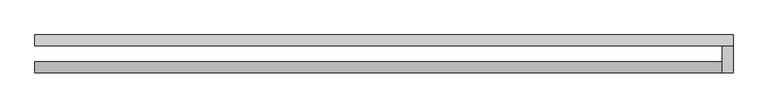
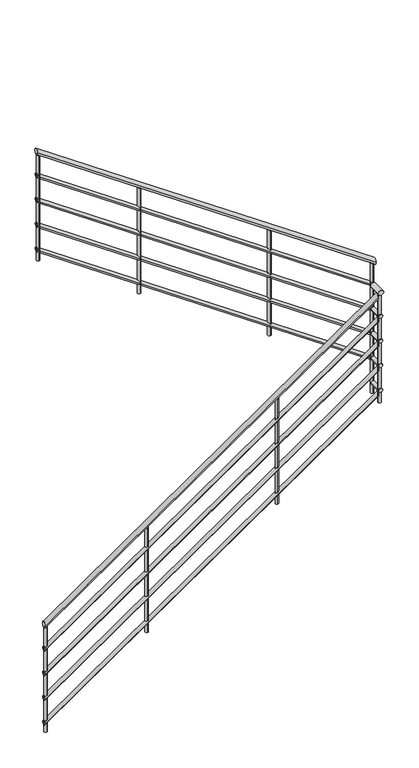
"""IFC4 building model written with IfcOpenShell, lengths in millimetres: railing geometry."""

from ifc_helpers import new_model, si_unit, point, frame, frame_2d, origin, place, context, project, spatial, circle_curve, ellipse_curve, trimmed, segment, composite_curve, outline, extrude, source, transform, mapped, element, save
from ifc_brep_helpers import plane_surface, cylinder_surface, advanced_brep


def railing_d2a92688(model_context):
    return source(origin(), model_context, "Body", "SolidModel", [
        advanced_brep(
        [(-1895.9784025, 14854.6868987, 1695.6747872), (-1895.9784025, 14894.6868987, 1695.6747872), (659.0215975, 14854.6868987, 3464.5209411), (659.0215975, 14894.6868987, 3464.5209411)],
        [
            (0, 1, ellipse_curve(frame((-1895.9784025, 14874.6868987, 1695.6747872), z_axis=(-1.0, 0.0, 0.0), x_axis=(0.0, 0.0, -1.0)), 24.3252128, 20.0)),
            (1, 0, ellipse_curve(frame((-1895.9784025, 14874.6868987, 1695.6747872), z_axis=(-1.0, 0.0, 0.0), x_axis=(0.0, 0.0, -1.0)), 24.3252128, 20.0)),
            (2, 3, ellipse_curve(frame((659.0215975, 14874.6868987, 3464.5209411), z_axis=(1.0, 0.0, 0.0), x_axis=(0.0, 0.0, -1.0)), 24.3252128, 20.0)),
            (3, 2, ellipse_curve(frame((659.0215975, 14874.6868987, 3464.5209411), z_axis=(1.0, 0.0, 0.0), x_axis=(0.0, 0.0, -1.0)), 24.3252128, 20.0)),
            (0, 2),
            (3, 1),
        ],
        [
            plane_surface(frame((-1895.9784025, 14874.6868987, 1720.0), z_axis=(-1.0, 0.0, 0.0), x_axis=(0.0, 1.0, 0.0))),
            plane_surface(frame((659.0215975, 14874.6868987, 3488.8461538), z_axis=(1.0, 0.0, 0.0), x_axis=(0.0, 1.0, 0.0))),
            cylinder_surface(frame((-1884.5942029, 14874.6868987, 1703.5561562), z_axis=(-0.8221921916437787, 0.0, -0.5692099788303082), x_axis=(0.0, 1.0, 0.0)), 20.0),
        ],
        [
            (0, [[1, 2]]),
            (1, [[3, 4]]),
            (2, [[-1, 5, -4, 6]]),
            (2, [[-2, -6, -3, -5]]),
        ],
    ),
        advanced_brep(
        [(699.0215975, 14854.6868987, 3500.0), (659.0215975, 14854.6868987, 3500.0), (699.0215975, 14954.6868987, 3500.0), (659.0215975, 14954.6868987, 3500.0)],
        [
            (0, 1, circle_curve(frame((679.0215975, 14854.6868987, 3500.0), z_axis=(0.0, -1.0, 0.0), x_axis=(-1.0, 0.0, 0.0)), 20.0)),
            (1, 0, circle_curve(frame((679.0215975, 14854.6868987, 3500.0), z_axis=(0.0, -1.0, 0.0), x_axis=(-1.0, 0.0, 0.0)), 20.0)),
            (2, 3, circle_curve(frame((679.0215975, 14954.6868987, 3500.0), z_axis=(0.0, 1.0, 0.0), x_axis=(-1.0, 0.0, 0.0)), 20.0)),
            (3, 2, circle_curve(frame((679.0215975, 14954.6868987, 3500.0), z_axis=(0.0, 1.0, 0.0), x_axis=(-1.0, 0.0, 0.0)), 20.0)),
            (0, 2),
            (3, 1),
        ],
        [
            plane_surface(frame((679.0215975, 14854.6868987, 3520.0), z_axis=(0.0, -1.0, 0.0), x_axis=(0.0, 0.0, 1.0))),
            plane_surface(frame((679.0215975, 14954.6868987, 3520.0), z_axis=(0.0, 1.0, 0.0), x_axis=(0.0, 0.0, 1.0))),
            cylinder_surface(frame((679.0215975, 14854.6868987, 3500.0), z_axis=(0.0, -1.0, 0.0), x_axis=(-1.0, 0.0, 0.0)), 20.0),
        ],
        [
            (0, [[1, 2]]),
            (1, [[3, 4]]),
            (2, [[-1, 5, -4, 6]]),
            (2, [[-2, -6, -3, -5]]),
        ],
    ),
        advanced_brep(
        [(699.0215975, 14994.6868987, 3679.1363257), (699.0215975, 14954.6868987, 3679.1363257), (-1895.9784025, 14994.6868987, 5475.6747872), (-1895.9784025, 14954.6868987, 5475.6747872)],
        [
            (0, 1, ellipse_curve(frame((699.0215975, 14974.6868987, 3679.1363257), z_axis=(1.0, 0.0, 0.0), x_axis=(0.0, 0.0, -1.0)), 24.3252128, 20.0)),
            (1, 0, ellipse_curve(frame((699.0215975, 14974.6868987, 3679.1363257), z_axis=(1.0, 0.0, 0.0), x_axis=(0.0, 0.0, -1.0)), 24.3252128, 20.0)),
            (2, 3, ellipse_curve(frame((-1895.9784025, 14974.6868987, 5475.6747872), z_axis=(-1.0, 0.0, 0.0), x_axis=(0.0, 0.0, -1.0)), 24.3252128, 20.0)),
            (3, 2, ellipse_curve(frame((-1895.9784025, 14974.6868987, 5475.6747872), z_axis=(-1.0, 0.0, 0.0), x_axis=(0.0, 0.0, -1.0)), 24.3252128, 20.0)),
            (0, 2),
            (3, 1),
        ],
        [
            plane_surface(frame((699.0215975, 14974.6868987, 3703.4615385), z_axis=(1.0, 0.0, 0.0), x_axis=(0.0, -1.0, 0.0))),
            plane_surface(frame((-1895.9784025, 14974.6868987, 5500.0), z_axis=(-1.0, 0.0, 0.0), x_axis=(0.0, -1.0, 0.0))),
            cylinder_surface(frame((687.6373979, 14974.6868987, 3687.0176946), z_axis=(0.8221921916437787, 0.0, -0.5692099788303083), x_axis=(0.0, -1.0, 0.0)), 20.0),
        ],
        [
            (0, [[1, 2]]),
            (1, [[3, 4]]),
            (2, [[-1, 5, -4, 6]]),
            (2, [[-2, -6, -3, -5]]),
        ],
    ),
        advanced_brep(
        [(-1895.9784025, 14859.6868987, 1501.7560904), (-1895.9784025, 14889.6868987, 1501.7560904), (664.0215975, 14859.6868987, 3274.0637827), (664.0215975, 14889.6868987, 3274.0637827)],
        [
            (0, 1, ellipse_curve(frame((-1895.9784025, 14874.6868987, 1501.7560904), z_axis=(-1.0, 0.0, 0.0), x_axis=(0.0, 0.0, -1.0)), 18.2439096, 15.0)),
            (1, 0, ellipse_curve(frame((-1895.9784025, 14874.6868987, 1501.7560904), z_axis=(-1.0, 0.0, 0.0), x_axis=(0.0, 0.0, -1.0)), 18.2439096, 15.0)),
            (2, 3, ellipse_curve(frame((664.0215975, 14874.6868987, 3274.0637827), z_axis=(1.0, 0.0, 0.0), x_axis=(0.0, 0.0, -1.0)), 18.2439096, 15.0)),
            (3, 2, ellipse_curve(frame((664.0215975, 14874.6868987, 3274.0637827), z_axis=(1.0, 0.0, 0.0), x_axis=(0.0, 0.0, -1.0)), 18.2439096, 15.0)),
            (0, 2),
            (3, 1),
        ],
        [
            plane_surface(frame((-1895.9784025, 14874.6868987, 1520.0), z_axis=(-1.0, 0.0, 0.0), x_axis=(0.0, 1.0, 0.0))),
            plane_surface(frame((664.0215975, 14874.6868987, 3292.3076923), z_axis=(1.0, 0.0, 0.0), x_axis=(0.0, 1.0, 0.0))),
            cylinder_surface(frame((-1887.4402528, 14874.6868987, 1507.6671171), z_axis=(-0.8221921916437787, 0.0, -0.5692099788303082), x_axis=(0.0, 1.0, 0.0)), 15.0),
        ],
        [
            (0, [[1, 2]]),
            (1, [[3, 4]]),
            (2, [[-1, 5, -4, 6]]),
            (2, [[-2, -6, -3, -5]]),
        ],
    ),
        advanced_brep(
        [(694.0215975, 14859.6868987, 3305.0), (664.0215975, 14859.6868987, 3305.0), (694.0215975, 14959.6868987, 3305.0), (664.0215975, 14959.6868987, 3305.0)],
        [
            (0, 1, circle_curve(frame((679.0215975, 14859.6868987, 3305.0), z_axis=(0.0, -1.0, 0.0), x_axis=(-1.0, 0.0, 0.0)), 15.0)),
            (1, 0, circle_curve(frame((679.0215975, 14859.6868987, 3305.0), z_axis=(0.0, -1.0, 0.0), x_axis=(-1.0, 0.0, 0.0)), 15.0)),
            (2, 3, circle_curve(frame((679.0215975, 14959.6868987, 3305.0), z_axis=(0.0, 1.0, 0.0), x_axis=(-1.0, 0.0, 0.0)), 15.0)),
            (3, 2, circle_curve(frame((679.0215975, 14959.6868987, 3305.0), z_axis=(0.0, 1.0, 0.0), x_axis=(-1.0, 0.0, 0.0)), 15.0)),
            (0, 2),
            (3, 1),
        ],
        [
            plane_surface(frame((679.0215975, 14859.6868987, 3320.0), z_axis=(0.0, -1.0, 0.0), x_axis=(0.0, 0.0, 1.0))),
            plane_surface(frame((679.0215975, 14959.6868987, 3320.0), z_axis=(0.0, 1.0, 0.0), x_axis=(0.0, 0.0, 1.0))),
            cylinder_surface(frame((679.0215975, 14859.6868987, 3305.0), z_axis=(0.0, -1.0, 0.0), x_axis=(-1.0, 0.0, 0.0)), 15.0),
        ],
        [
            (0, [[1, 2]]),
            (1, [[3, 4]]),
            (2, [[-1, 5, -4, 6]]),
            (2, [[-2, -6, -3, -5]]),
        ],
    ),
        advanced_brep(
        [(694.0215975, 14989.6868987, 3488.6791673), (694.0215975, 14959.6868987, 3488.6791673), (-1895.9784025, 14989.6868987, 5281.7560904), (-1895.9784025, 14959.6868987, 5281.7560904)],
        [
            (0, 1, ellipse_curve(frame((694.0215975, 14974.6868987, 3488.6791673), z_axis=(1.0, 0.0, 0.0), x_axis=(0.0, 0.0, -1.0)), 18.2439096, 15.0)),
            (1, 0, ellipse_curve(frame((694.0215975, 14974.6868987, 3488.6791673), z_axis=(1.0, 0.0, 0.0), x_axis=(0.0, 0.0, -1.0)), 18.2439096, 15.0)),
            (2, 3, ellipse_curve(frame((-1895.9784025, 14974.6868987, 5281.7560904), z_axis=(-1.0, 0.0, 0.0), x_axis=(0.0, 0.0, -1.0)), 18.2439096, 15.0)),
            (3, 2, ellipse_curve(frame((-1895.9784025, 14974.6868987, 5281.7560904), z_axis=(-1.0, 0.0, 0.0), x_axis=(0.0, 0.0, -1.0)), 18.2439096, 15.0)),
            (0, 2),
            (3, 1),
        ],
        [
            plane_surface(frame((694.0215975, 14974.6868987, 3506.9230769), z_axis=(1.0, 0.0, 0.0), x_axis=(0.0, -1.0, 0.0))),
            plane_surface(frame((-1895.9784025, 14974.6868987, 5300.0), z_axis=(-1.0, 0.0, 0.0), x_axis=(0.0, -1.0, 0.0))),
            cylinder_surface(frame((685.4834478, 14974.6868987, 3494.590194), z_axis=(0.8221921916437787, 0.0, -0.5692099788303083), x_axis=(0.0, -1.0, 0.0)), 15.0),
        ],
        [
            (0, [[1, 2]]),
            (1, [[3, 4]]),
            (2, [[-1, 5, -4, 6]]),
            (2, [[-2, -6, -3, -5]]),
        ],
    ),
        advanced_brep(
        [(-1895.9784025, 14859.6868987, 1301.7560904), (-1895.9784025, 14889.6868987, 1301.7560904), (664.0215975, 14859.6868987, 3074.0637827), (664.0215975, 14889.6868987, 3074.0637827)],
        [
            (0, 1, ellipse_curve(frame((-1895.9784025, 14874.6868987, 1301.7560904), z_axis=(-1.0, 0.0, 0.0), x_axis=(0.0, 0.0, -1.0)), 18.2439096, 15.0)),
            (1, 0, ellipse_curve(frame((-1895.9784025, 14874.6868987, 1301.7560904), z_axis=(-1.0, 0.0, 0.0), x_axis=(0.0, 0.0, -1.0)), 18.2439096, 15.0)),
            (2, 3, ellipse_curve(frame((664.0215975, 14874.6868987, 3074.0637827), z_axis=(1.0, 0.0, 0.0), x_axis=(0.0, 0.0, -1.0)), 18.2439096, 15.0)),
            (3, 2, ellipse_curve(frame((664.0215975, 14874.6868987, 3074.0637827), z_axis=(1.0, 0.0, 0.0), x_axis=(0.0, 0.0, -1.0)), 18.2439096, 15.0)),
            (0, 2),
            (3, 1),
        ],
        [
            plane_surface(frame((-1895.9784025, 14874.6868987, 1320.0), z_axis=(-1.0, 0.0, 0.0), x_axis=(0.0, 1.0, 0.0))),
            plane_surface(frame((664.0215975, 14874.6868987, 3092.3076923), z_axis=(1.0, 0.0, 0.0), x_axis=(0.0, 1.0, 0.0))),
            cylinder_surface(frame((-1887.4402528, 14874.6868987, 1307.6671171), z_axis=(-0.8221921916437787, 0.0, -0.5692099788303082), x_axis=(0.0, 1.0, 0.0)), 15.0),
        ],
        [
            (0, [[1, 2]]),
            (1, [[3, 4]]),
            (2, [[-1, 5, -4, 6]]),
            (2, [[-2, -6, -3, -5]]),
        ],
    ),
        advanced_brep(
        [(694.0215975, 14859.6868987, 3105.0), (664.0215975, 14859.6868987, 3105.0), (694.0215975, 14959.6868987, 3105.0), (664.0215975, 14959.6868987, 3105.0)],
        [
            (0, 1, circle_curve(frame((679.0215975, 14859.6868987, 3105.0), z_axis=(0.0, -1.0, 0.0), x_axis=(-1.0, 0.0, 0.0)), 15.0)),
            (1, 0, circle_curve(frame((679.0215975, 14859.6868987, 3105.0), z_axis=(0.0, -1.0, 0.0), x_axis=(-1.0, 0.0, 0.0)), 15.0)),
            (2, 3, circle_curve(frame((679.0215975, 14959.6868987, 3105.0), z_axis=(0.0, 1.0, 0.0), x_axis=(-1.0, 0.0, 0.0)), 15.0)),
            (3, 2, circle_curve(frame((679.0215975, 14959.6868987, 3105.0), z_axis=(0.0, 1.0, 0.0), x_axis=(-1.0, 0.0, 0.0)), 15.0)),
            (0, 2),
            (3, 1),
        ],
        [
            plane_surface(frame((679.0215975, 14859.6868987, 3120.0), z_axis=(0.0, -1.0, 0.0), x_axis=(0.0, 0.0, 1.0))),
            plane_surface(frame((679.0215975, 14959.6868987, 3120.0), z_axis=(0.0, 1.0, 0.0), x_axis=(0.0, 0.0, 1.0))),
            cylinder_surface(frame((679.0215975, 14859.6868987, 3105.0), z_axis=(0.0, -1.0, 0.0), x_axis=(-1.0, 0.0, 0.0)), 15.0),
        ],
        [
            (0, [[1, 2]]),
            (1, [[3, 4]]),
            (2, [[-1, 5, -4, 6]]),
            (2, [[-2, -6, -3, -5]]),
        ],
    ),
        advanced_brep(
        [(694.0215975, 14989.6868987, 3288.6791673), (694.0215975, 14959.6868987, 3288.6791673), (-1895.9784025, 14989.6868987, 5081.7560904), (-1895.9784025, 14959.6868987, 5081.7560904)],
        [
            (0, 1, ellipse_curve(frame((694.0215975, 14974.6868987, 3288.6791673), z_axis=(1.0, 0.0, 0.0), x_axis=(0.0, 0.0, -1.0)), 18.2439096, 15.0)),
            (1, 0, ellipse_curve(frame((694.0215975, 14974.6868987, 3288.6791673), z_axis=(1.0, 0.0, 0.0), x_axis=(0.0, 0.0, -1.0)), 18.2439096, 15.0)),
            (2, 3, ellipse_curve(frame((-1895.9784025, 14974.6868987, 5081.7560904), z_axis=(-1.0, 0.0, 0.0), x_axis=(0.0, 0.0, -1.0)), 18.2439096, 15.0)),
            (3, 2, ellipse_curve(frame((-1895.9784025, 14974.6868987, 5081.7560904), z_axis=(-1.0, 0.0, 0.0), x_axis=(0.0, 0.0, -1.0)), 18.2439096, 15.0)),
            (0, 2),
            (3, 1),
        ],
        [
            plane_surface(frame((694.0215975, 14974.6868987, 3306.9230769), z_axis=(1.0, 0.0, 0.0), x_axis=(0.0, -1.0, 0.0))),
            plane_surface(frame((-1895.9784025, 14974.6868987, 5100.0), z_axis=(-1.0, 0.0, 0.0), x_axis=(0.0, -1.0, 0.0))),
            cylinder_surface(frame((685.4834478, 14974.6868987, 3294.590194), z_axis=(0.8221921916437787, 0.0, -0.5692099788303083), x_axis=(0.0, -1.0, 0.0)), 15.0),
        ],
        [
            (0, [[1, 2]]),
            (1, [[3, 4]]),
            (2, [[-1, 5, -4, 6]]),
            (2, [[-2, -6, -3, -5]]),
        ],
    ),
        advanced_brep(
        [(-1895.9784025, 14859.6868987, 1101.7560904), (-1895.9784025, 14889.6868987, 1101.7560904), (664.0215975, 14859.6868987, 2874.0637827), (664.0215975, 14889.6868987, 2874.0637827)],
        [
            (0, 1, ellipse_curve(frame((-1895.9784025, 14874.6868987, 1101.7560904), z_axis=(-1.0, 0.0, 0.0), x_axis=(0.0, 0.0, -1.0)), 18.2439096, 15.0)),
            (1, 0, ellipse_curve(frame((-1895.9784025, 14874.6868987, 1101.7560904), z_axis=(-1.0, 0.0, 0.0), x_axis=(0.0, 0.0, -1.0)), 18.2439096, 15.0)),
            (2, 3, ellipse_curve(frame((664.0215975, 14874.6868987, 2874.0637827), z_axis=(1.0, 0.0, 0.0), x_axis=(0.0, 0.0, -1.0)), 18.2439096, 15.0)),
            (3, 2, ellipse_curve(frame((664.0215975, 14874.6868987, 2874.0637827), z_axis=(1.0, 0.0, 0.0), x_axis=(0.0, 0.0, -1.0)), 18.2439096, 15.0)),
            (0, 2),
            (3, 1),
        ],
        [
            plane_surface(frame((-1895.9784025, 14874.6868987, 1120.0), z_axis=(-1.0, 0.0, 0.0), x_axis=(0.0, 1.0, 0.0))),
            plane_surface(frame((664.0215975, 14874.6868987, 2892.3076923), z_axis=(1.0, 0.0, 0.0), x_axis=(0.0, 1.0, 0.0))),
            cylinder_surface(frame((-1887.4402528, 14874.6868987, 1107.6671171), z_axis=(-0.8221921916437787, 0.0, -0.5692099788303082), x_axis=(0.0, 1.0, 0.0)), 15.0),
        ],
        [
            (0, [[1, 2]]),
            (1, [[3, 4]]),
            (2, [[-1, 5, -4, 6]]),
            (2, [[-2, -6, -3, -5]]),
        ],
    ),
        advanced_brep(
        [(694.0215975, 14859.6868987, 2905.0), (664.0215975, 14859.6868987, 2905.0), (694.0215975, 14959.6868987, 2905.0), (664.0215975, 14959.6868987, 2905.0)],
        [
            (0, 1, circle_curve(frame((679.0215975, 14859.6868987, 2905.0), z_axis=(0.0, -1.0, 0.0), x_axis=(-1.0, 0.0, 0.0)), 15.0)),
            (1, 0, circle_curve(frame((679.0215975, 14859.6868987, 2905.0), z_axis=(0.0, -1.0, 0.0), x_axis=(-1.0, 0.0, 0.0)), 15.0)),
            (2, 3, circle_curve(frame((679.0215975, 14959.6868987, 2905.0), z_axis=(0.0, 1.0, 0.0), x_axis=(-1.0, 0.0, 0.0)), 15.0)),
            (3, 2, circle_curve(frame((679.0215975, 14959.6868987, 2905.0), z_axis=(0.0, 1.0, 0.0), x_axis=(-1.0, 0.0, 0.0)), 15.0)),
            (0, 2),
            (3, 1),
        ],
        [
            plane_surface(frame((679.0215975, 14859.6868987, 2920.0), z_axis=(0.0, -1.0, 0.0), x_axis=(0.0, 0.0, 1.0))),
            plane_surface(frame((679.0215975, 14959.6868987, 2920.0), z_axis=(0.0, 1.0, 0.0), x_axis=(0.0, 0.0, 1.0))),
            cylinder_surface(frame((679.0215975, 14859.6868987, 2905.0), z_axis=(0.0, -1.0, 0.0), x_axis=(-1.0, 0.0, 0.0)), 15.0),
        ],
        [
            (0, [[1, 2]]),
            (1, [[3, 4]]),
            (2, [[-1, 5, -4, 6]]),
            (2, [[-2, -6, -3, -5]]),
        ],
    ),
        advanced_brep(
        [(694.0215975, 14989.6868987, 3088.6791673), (694.0215975, 14959.6868987, 3088.6791673), (-1895.9784025, 14989.6868987, 4881.7560904), (-1895.9784025, 14959.6868987, 4881.7560904)],
        [
            (0, 1, ellipse_curve(frame((694.0215975, 14974.6868987, 3088.6791673), z_axis=(1.0, 0.0, 0.0), x_axis=(0.0, 0.0, -1.0)), 18.2439096, 15.0)),
            (1, 0, ellipse_curve(frame((694.0215975, 14974.6868987, 3088.6791673), z_axis=(1.0, 0.0, 0.0), x_axis=(0.0, 0.0, -1.0)), 18.2439096, 15.0)),
            (2, 3, ellipse_curve(frame((-1895.9784025, 14974.6868987, 4881.7560904), z_axis=(-1.0, 0.0, 0.0), x_axis=(0.0, 0.0, -1.0)), 18.2439096, 15.0)),
            (3, 2, ellipse_curve(frame((-1895.9784025, 14974.6868987, 4881.7560904), z_axis=(-1.0, 0.0, 0.0), x_axis=(0.0, 0.0, -1.0)), 18.2439096, 15.0)),
            (0, 2),
            (3, 1),
        ],
        [
            plane_surface(frame((694.0215975, 14974.6868987, 3106.9230769), z_axis=(1.0, 0.0, 0.0), x_axis=(0.0, -1.0, 0.0))),
            plane_surface(frame((-1895.9784025, 14974.6868987, 4900.0), z_axis=(-1.0, 0.0, 0.0), x_axis=(0.0, -1.0, 0.0))),
            cylinder_surface(frame((685.4834478, 14974.6868987, 3094.590194), z_axis=(0.8221921916437787, 0.0, -0.5692099788303083), x_axis=(0.0, -1.0, 0.0)), 15.0),
        ],
        [
            (0, [[1, 2]]),
            (1, [[3, 4]]),
            (2, [[-1, 5, -4, 6]]),
            (2, [[-2, -6, -3, -5]]),
        ],
    ),
        advanced_brep(
        [(-1895.9784025, 14859.6868987, 901.7560904), (-1895.9784025, 14889.6868987, 901.7560904), (664.0215975, 14859.6868987, 2674.0637827), (664.0215975, 14889.6868987, 2674.0637827)],
        [
            (0, 1, ellipse_curve(frame((-1895.9784025, 14874.6868987, 901.7560904), z_axis=(-1.0, 0.0, 0.0), x_axis=(0.0, 0.0, -1.0)), 18.2439096, 15.0)),
            (1, 0, ellipse_curve(frame((-1895.9784025, 14874.6868987, 901.7560904), z_axis=(-1.0, 0.0, 0.0), x_axis=(0.0, 0.0, -1.0)), 18.2439096, 15.0)),
            (2, 3, ellipse_curve(frame((664.0215975, 14874.6868987, 2674.0637827), z_axis=(1.0, 0.0, 0.0), x_axis=(0.0, 0.0, -1.0)), 18.2439096, 15.0)),
            (3, 2, ellipse_curve(frame((664.0215975, 14874.6868987, 2674.0637827), z_axis=(1.0, 0.0, 0.0), x_axis=(0.0, 0.0, -1.0)), 18.2439096, 15.0)),
            (0, 2),
            (3, 1),
        ],
        [
            plane_surface(frame((-1895.9784025, 14874.6868987, 920.0), z_axis=(-1.0, 0.0, 0.0), x_axis=(0.0, 1.0, 0.0))),
            plane_surface(frame((664.0215975, 14874.6868987, 2692.3076923), z_axis=(1.0, 0.0, 0.0), x_axis=(0.0, 1.0, 0.0))),
            cylinder_surface(frame((-1887.4402528, 14874.6868987, 907.6671171), z_axis=(-0.8221921916437787, 0.0, -0.5692099788303082), x_axis=(0.0, 1.0, 0.0)), 15.0),
        ],
        [
            (0, [[1, 2]]),
            (1, [[3, 4]]),
            (2, [[-1, 5, -4, 6]]),
            (2, [[-2, -6, -3, -5]]),
        ],
    ),
        advanced_brep(
        [(694.0215975, 14859.6868987, 2705.0), (664.0215975, 14859.6868987, 2705.0), (694.0215975, 14959.6868987, 2705.0), (664.0215975, 14959.6868987, 2705.0)],
        [
            (0, 1, circle_curve(frame((679.0215975, 14859.6868987, 2705.0), z_axis=(0.0, -1.0, 0.0), x_axis=(-1.0, 0.0, 0.0)), 15.0)),
            (1, 0, circle_curve(frame((679.0215975, 14859.6868987, 2705.0), z_axis=(0.0, -1.0, 0.0), x_axis=(-1.0, 0.0, 0.0)), 15.0)),
            (2, 3, circle_curve(frame((679.0215975, 14959.6868987, 2705.0), z_axis=(0.0, 1.0, 0.0), x_axis=(-1.0, 0.0, 0.0)), 15.0)),
            (3, 2, circle_curve(frame((679.0215975, 14959.6868987, 2705.0), z_axis=(0.0, 1.0, 0.0), x_axis=(-1.0, 0.0, 0.0)), 15.0)),
            (0, 2),
            (3, 1),
        ],
        [
            plane_surface(frame((679.0215975, 14859.6868987, 2720.0), z_axis=(0.0, -1.0, 0.0), x_axis=(0.0, 0.0, 1.0))),
            plane_surface(frame((679.0215975, 14959.6868987, 2720.0), z_axis=(0.0, 1.0, 0.0), x_axis=(0.0, 0.0, 1.0))),
            cylinder_surface(frame((679.0215975, 14859.6868987, 2705.0), z_axis=(0.0, -1.0, 0.0), x_axis=(-1.0, 0.0, 0.0)), 15.0),
        ],
        [
            (0, [[1, 2]]),
            (1, [[3, 4]]),
            (2, [[-1, 5, -4, 6]]),
            (2, [[-2, -6, -3, -5]]),
        ],
    ),
        advanced_brep(
        [(694.0215975, 14989.6868987, 2888.6791673), (694.0215975, 14959.6868987, 2888.6791673), (-1895.9784025, 14989.6868987, 4681.7560904), (-1895.9784025, 14959.6868987, 4681.7560904)],
        [
            (0, 1, ellipse_curve(frame((694.0215975, 14974.6868987, 2888.6791673), z_axis=(1.0, 0.0, 0.0), x_axis=(0.0, 0.0, -1.0)), 18.2439096, 15.0)),
            (1, 0, ellipse_curve(frame((694.0215975, 14974.6868987, 2888.6791673), z_axis=(1.0, 0.0, 0.0), x_axis=(0.0, 0.0, -1.0)), 18.2439096, 15.0)),
            (2, 3, ellipse_curve(frame((-1895.9784025, 14974.6868987, 4681.7560904), z_axis=(-1.0, 0.0, 0.0), x_axis=(0.0, 0.0, -1.0)), 18.2439096, 15.0)),
            (3, 2, ellipse_curve(frame((-1895.9784025, 14974.6868987, 4681.7560904), z_axis=(-1.0, 0.0, 0.0), x_axis=(0.0, 0.0, -1.0)), 18.2439096, 15.0)),
            (0, 2),
            (3, 1),
        ],
        [
            plane_surface(frame((694.0215975, 14974.6868987, 2906.9230769), z_axis=(1.0, 0.0, 0.0), x_axis=(0.0, -1.0, 0.0))),
            plane_surface(frame((-1895.9784025, 14974.6868987, 4700.0), z_axis=(-1.0, 0.0, 0.0), x_axis=(0.0, -1.0, 0.0))),
            cylinder_surface(frame((685.4834478, 14974.6868987, 2894.590194), z_axis=(0.8221921916437787, 0.0, -0.5692099788303083), x_axis=(0.0, -1.0, 0.0)), 15.0),
        ],
        [
            (0, [[1, 2]]),
            (1, [[3, 4]]),
            (2, [[-1, 5, -4, 6]]),
            (2, [[-2, -6, -3, -5]]),
        ],
    ),
        advanced_brep(
        [(-1108.4784025, 14962.1868987, 4906.1572668), (-1108.4784025, 14987.1868987, 4906.1572668), (-1108.4784025, 14987.1868987, 4054.8076923), (-1108.4784025, 14962.1868987, 4054.8076923)],
        [
            (0, 1, ellipse_curve(frame((-1108.4784025, 14974.6868987, 4906.1572668), z_axis=(-0.569209978830308, 0.0, -0.8221921916437789), x_axis=(-0.8221921916437789, 0.0, 0.5692099788303079)), 15.203258, 12.5)),
            (1, 2),
            (2, 3, circle_curve(frame((-1108.4784025, 14974.6868987, 4054.8076923), z_axis=(0.0, 0.0, 1.0), x_axis=(0.0, 1.0, 0.0)), 12.5)),
            (3, 0),
            (3, 2, circle_curve(frame((-1108.4784025, 14974.6868987, 4054.8076923), z_axis=(0.0, 0.0, 1.0), x_axis=(0.0, 1.0, 0.0)), 12.5)),
            (1, 0, ellipse_curve(frame((-1108.4784025, 14974.6868987, 4906.1572668), z_axis=(-0.569209978830308, 0.0, -0.8221921916437789), x_axis=(-0.8221921916437789, 0.0, 0.5692099788303079)), 15.203258, 12.5)),
        ],
        [
            cylinder_surface(frame((-1108.4784025, 14974.6868987, 3954.8076923), z_axis=(0.0, 0.0, 1.0), x_axis=(0.0, 1.0, 0.0)), 12.5),
            plane_surface(frame((-1133.4784025, 14999.6868987, 4923.4649591), z_axis=(0.569209978830308, 0.0, 0.8221921916437789), x_axis=(0.0, -1.0, 0.0))),
            plane_surface(frame((-1083.4784025, 14999.6868987, 4054.8076923), z_axis=(0.0, 0.0, -1.0), x_axis=(0.0, -1.0, 0.0))),
        ],
        [
            (0, [[1, 2, 3, 4]]),
            (0, [[5, -2, 6, -4]]),
            (1, [[-6, -1]]),
            (2, [[-5, -3]]),
        ],
    ),
        advanced_brep(
        [(-108.4784025, 14962.1868987, 4213.8495745), (-108.4784025, 14987.1868987, 4213.8495745), (-108.4784025, 14987.1868987, 3362.5), (-108.4784025, 14962.1868987, 3362.5)],
        [
            (0, 1, ellipse_curve(frame((-108.4784025, 14974.6868987, 4213.8495745), z_axis=(-0.569209978830308, 0.0, -0.8221921916437789), x_axis=(-0.8221921916437789, 0.0, 0.5692099788303079)), 15.203258, 12.5)),
            (1, 2),
            (2, 3, circle_curve(frame((-108.4784025, 14974.6868987, 3362.5), z_axis=(0.0, 0.0, 1.0), x_axis=(0.0, 1.0, 0.0)), 12.5)),
            (3, 0),
            (3, 2, circle_curve(frame((-108.4784025, 14974.6868987, 3362.5), z_axis=(0.0, 0.0, 1.0), x_axis=(0.0, 1.0, 0.0)), 12.5)),
            (1, 0, ellipse_curve(frame((-108.4784025, 14974.6868987, 4213.8495745), z_axis=(-0.569209978830308, 0.0, -0.8221921916437789), x_axis=(-0.8221921916437789, 0.0, 0.5692099788303079)), 15.203258, 12.5)),
        ],
        [
            cylinder_surface(frame((-108.4784025, 14974.6868987, 3262.5), z_axis=(0.0, 0.0, 1.0), x_axis=(0.0, 1.0, 0.0)), 12.5),
            plane_surface(frame((-133.4784025, 14999.6868987, 4231.1572668), z_axis=(0.569209978830308, 0.0, 0.8221921916437789), x_axis=(0.0, -1.0, 0.0))),
            plane_surface(frame((-83.4784025, 14999.6868987, 3362.5), z_axis=(0.0, 0.0, -1.0), x_axis=(0.0, -1.0, 0.0))),
        ],
        [
            (0, [[1, 2, 3, 4]]),
            (0, [[5, -2, 6, -4]]),
            (1, [[-6, -1]]),
            (2, [[-5, -3]]),
        ],
    ),
        advanced_brep(
        [(-108.4784025, 14887.1868987, 2908.8495745), (-108.4784025, 14862.1868987, 2908.8495745), (-108.4784025, 14862.1868987, 2057.5), (-108.4784025, 14887.1868987, 2057.5)],
        [
            (0, 1, ellipse_curve(frame((-108.4784025, 14874.6868987, 2908.8495745), z_axis=(0.569209978830308, 0.0, -0.8221921916437789), x_axis=(0.8221921916437789, 0.0, 0.5692099788303079)), 15.203258, 12.5)),
            (1, 2),
            (2, 3, circle_curve(frame((-108.4784025, 14874.6868987, 2057.5), z_axis=(0.0, 0.0, 1.0), x_axis=(0.0, -1.0, 0.0)), 12.5)),
            (3, 0),
            (3, 2, circle_curve(frame((-108.4784025, 14874.6868987, 2057.5), z_axis=(0.0, 0.0, 1.0), x_axis=(0.0, -1.0, 0.0)), 12.5)),
            (1, 0, ellipse_curve(frame((-108.4784025, 14874.6868987, 2908.8495745), z_axis=(0.569209978830308, 0.0, -0.8221921916437789), x_axis=(0.8221921916437789, 0.0, 0.5692099788303079)), 15.203258, 12.5)),
        ],
        [
            cylinder_surface(frame((-108.4784025, 14874.6868987, 1957.5), z_axis=(0.0, 0.0, 1.0), x_axis=(0.0, -1.0, 0.0)), 12.5),
            plane_surface(frame((-83.4784025, 14849.6868987, 2926.1572668), z_axis=(-0.569209978830308, 0.0, 0.8221921916437789), x_axis=(0.0, 1.0, 0.0))),
            plane_surface(frame((-133.4784025, 14849.6868987, 2057.5), z_axis=(0.0, 0.0, -1.0), x_axis=(0.0, 1.0, 0.0))),
        ],
        [
            (0, [[1, 2, 3, 4]]),
            (0, [[5, -2, 6, -4]]),
            (1, [[-6, -1]]),
            (2, [[-5, -3]]),
        ],
    ),
        advanced_brep(
        [(-1108.4784025, 14887.1868987, 2216.5418822), (-1108.4784025, 14862.1868987, 2216.5418822), (-1108.4784025, 14862.1868987, 1365.1923077), (-1108.4784025, 14887.1868987, 1365.1923077)],
        [
            (0, 1, ellipse_curve(frame((-1108.4784025, 14874.6868987, 2216.5418822), z_axis=(0.569209978830308, 0.0, -0.8221921916437789), x_axis=(0.8221921916437789, 0.0, 0.5692099788303079)), 15.203258, 12.5)),
            (1, 2),
            (2, 3, circle_curve(frame((-1108.4784025, 14874.6868987, 1365.1923077), z_axis=(0.0, 0.0, 1.0), x_axis=(0.0, -1.0, 0.0)), 12.5)),
            (3, 0),
            (3, 2, circle_curve(frame((-1108.4784025, 14874.6868987, 1365.1923077), z_axis=(0.0, 0.0, 1.0), x_axis=(0.0, -1.0, 0.0)), 12.5)),
            (1, 0, ellipse_curve(frame((-1108.4784025, 14874.6868987, 2216.5418822), z_axis=(0.569209978830308, 0.0, -0.8221921916437789), x_axis=(0.8221921916437789, 0.0, 0.5692099788303079)), 15.203258, 12.5)),
        ],
        [
            cylinder_surface(frame((-1108.4784025, 14874.6868987, 1265.1923077), z_axis=(0.0, 0.0, 1.0), x_axis=(0.0, -1.0, 0.0)), 12.5),
            plane_surface(frame((-1083.4784025, 14849.6868987, 2233.8495745), z_axis=(-0.569209978830308, 0.0, 0.8221921916437789), x_axis=(0.0, 1.0, 0.0))),
            plane_surface(frame((-1133.4784025, 14849.6868987, 1365.1923077), z_axis=(0.0, 0.0, -1.0), x_axis=(0.0, 1.0, 0.0))),
        ],
        [
            (0, [[1, 2, 3, 4]]),
            (0, [[5, -2, 6, -4]]),
            (1, [[-6, -1]]),
            (2, [[-5, -3]]),
        ],
    ),
        advanced_brep(
        [(679.0215975, 14962.1868987, 3668.6572668), (679.0215975, 14987.1868987, 3668.6572668), (679.0215975, 14987.1868987, 2620.0), (679.0215975, 14962.1868987, 2620.0)],
        [
            (0, 1, ellipse_curve(frame((679.0215975, 14974.6868987, 3668.6572668), z_axis=(-0.569209978830308, 0.0, -0.8221921916437789), x_axis=(-0.8221921916437789, 0.0, 0.5692099788303079)), 15.203258, 12.5)),
            (1, 2),
            (2, 3, circle_curve(frame((679.0215975, 14974.6868987, 2620.0), z_axis=(0.0, 0.0, 1.0), x_axis=(0.0, 1.0, 0.0)), 12.5)),
            (3, 0),
            (3, 2, circle_curve(frame((679.0215975, 14974.6868987, 2620.0), z_axis=(0.0, 0.0, 1.0), x_axis=(0.0, 1.0, 0.0)), 12.5)),
            (1, 0, ellipse_curve(frame((679.0215975, 14974.6868987, 3668.6572668), z_axis=(-0.569209978830308, 0.0, -0.8221921916437789), x_axis=(-0.8221921916437789, 0.0, 0.5692099788303079)), 15.203258, 12.5)),
        ],
        [
            cylinder_surface(frame((679.0215975, 14974.6868987, 2520.0), z_axis=(0.0, 0.0, 1.0), x_axis=(0.0, 1.0, 0.0)), 12.5),
            plane_surface(frame((654.0215975, 14999.6868987, 3685.9649591), z_axis=(0.569209978830308, 0.0, 0.8221921916437789), x_axis=(0.0, -1.0, 0.0))),
            plane_surface(frame((704.0215975, 14999.6868987, 2620.0), z_axis=(0.0, 0.0, -1.0), x_axis=(0.0, -1.0, 0.0))),
        ],
        [
            (0, [[1, 2, 3, 4]]),
            (0, [[5, -2, 6, -4]]),
            (1, [[-6, -1]]),
            (2, [[-5, -3]]),
        ],
    ),
        extrude(outline(composite_curve([segment(trimmed(circle_curve(frame_2d((679.0215975, 14874.6868987)), 12.5), [point((691.5215975, 14874.6868987))], [point((666.5215975, 14874.6868987))], False, "CARTESIAN"), True, "CONTINUOUS"), segment(trimmed(circle_curve(frame_2d((679.0215975, 14874.6868987)), 12.5), [point((666.5215975, 14874.6868987))], [point((691.5215975, 14874.6868987))], False, "CARTESIAN"), True, "CONTINUOUS")], self_intersect=False)), frame((0.0, 0.0, 2602.6923077), z_axis=(0.0, 0.0, 1.0), x_axis=(1.0, 0.0, 0.0)), (0.0, 0.0, 1.0), 877.3076923),
        advanced_brep(
        [(-1883.7918036, 14962.1868987, 5442.9126983), (-1883.7918036, 14987.1868987, 5442.9126983), (-1883.7918036, 14987.1868987, 4591.5631238), (-1883.7918036, 14962.1868987, 4591.5631238)],
        [
            (0, 1, ellipse_curve(frame((-1883.7918036, 14974.6868987, 5442.9126983), z_axis=(-0.569209978830308, 0.0, -0.8221921916437789), x_axis=(-0.8221921916437789, 0.0, 0.5692099788303079)), 15.203258, 12.5)),
            (1, 2),
            (2, 3, circle_curve(frame((-1883.7918036, 14974.6868987, 4591.5631238), z_axis=(0.0, 0.0, 1.0), x_axis=(0.0, 1.0, 0.0)), 12.5)),
            (3, 0),
            (3, 2, circle_curve(frame((-1883.7918036, 14974.6868987, 4591.5631238), z_axis=(0.0, 0.0, 1.0), x_axis=(0.0, 1.0, 0.0)), 12.5)),
            (1, 0, ellipse_curve(frame((-1883.7918036, 14974.6868987, 5442.9126983), z_axis=(-0.569209978830308, 0.0, -0.8221921916437789), x_axis=(-0.8221921916437789, 0.0, 0.5692099788303079)), 15.203258, 12.5)),
        ],
        [
            cylinder_surface(frame((-1883.7918036, 14974.6868987, 4491.5631238), z_axis=(0.0, 0.0, 1.0), x_axis=(0.0, 1.0, 0.0)), 12.5),
            plane_surface(frame((-1908.7918036, 14999.6868987, 5460.2203906), z_axis=(0.569209978830308, 0.0, 0.8221921916437789), x_axis=(0.0, -1.0, 0.0))),
            plane_surface(frame((-1858.7918036, 14999.6868987, 4591.5631238), z_axis=(0.0, 0.0, -1.0), x_axis=(0.0, -1.0, 0.0))),
        ],
        [
            (0, [[1, 2, 3, 4]]),
            (0, [[5, -2, 6, -4]]),
            (1, [[-6, -1]]),
            (2, [[-5, -3]]),
        ],
    ),
        advanced_brep(
        [(-1883.7918036, 14887.1868987, 1679.7864506), (-1883.7918036, 14862.1868987, 1679.7864506), (-1883.7918036, 14862.1868987, 828.4368762), (-1883.7918036, 14887.1868987, 828.4368762)],
        [
            (0, 1, ellipse_curve(frame((-1883.7918036, 14874.6868987, 1679.7864506), z_axis=(0.569209978830308, 0.0, -0.8221921916437789), x_axis=(0.8221921916437789, 0.0, 0.5692099788303079)), 15.203258, 12.5)),
            (1, 2),
            (2, 3, circle_curve(frame((-1883.7918036, 14874.6868987, 828.4368762), z_axis=(0.0, 0.0, 1.0), x_axis=(0.0, -1.0, 0.0)), 12.5)),
            (3, 0),
            (3, 2, circle_curve(frame((-1883.7918036, 14874.6868987, 828.4368762), z_axis=(0.0, 0.0, 1.0), x_axis=(0.0, -1.0, 0.0)), 12.5)),
            (1, 0, ellipse_curve(frame((-1883.7918036, 14874.6868987, 1679.7864506), z_axis=(0.569209978830308, 0.0, -0.8221921916437789), x_axis=(0.8221921916437789, 0.0, 0.5692099788303079)), 15.203258, 12.5)),
        ],
        [
            cylinder_surface(frame((-1883.7918036, 14874.6868987, 728.4368762), z_axis=(0.0, 0.0, 1.0), x_axis=(0.0, -1.0, 0.0)), 12.5),
            plane_surface(frame((-1858.7918036, 14849.6868987, 1697.0941429), z_axis=(-0.569209978830308, 0.0, 0.8221921916437789), x_axis=(0.0, 1.0, 0.0))),
            plane_surface(frame((-1908.7918036, 14849.6868987, 828.4368762), z_axis=(0.0, 0.0, -1.0), x_axis=(0.0, 1.0, 0.0))),
        ],
        [
            (0, [[1, 2, 3, 4]]),
            (0, [[5, -2, 6, -4]]),
            (1, [[-6, -1]]),
            (2, [[-5, -3]]),
        ],
    ),
    ])


if __name__ == "__main__":
    model = new_model("IFC4")
    model_context = context("Model", 3, world=origin())
    ifc_project = project(units=[si_unit("LENGTHUNIT", "METRE", prefix="MILLI")], contexts=[model_context])
    site = spatial("IfcSite", under=ifc_project)
    building = spatial("IfcBuilding", under=site)
    placement = place(None, origin())
    railing_shape = railing_d2a92688(model_context)
    element("IfcRailing", 1, at=placement, inside=building, context=model_context, shape_type="MappedRepresentation", body=[
        mapped(railing_shape, transform((0.0, 0.0, 0.0), x_axis=(1.0, 0.0, 0.0), y_axis=(0.0, 1.0, 0.0), z_axis=(0.0, 0.0, 1.0))),
    ])
    save(model, "model.ifc")
